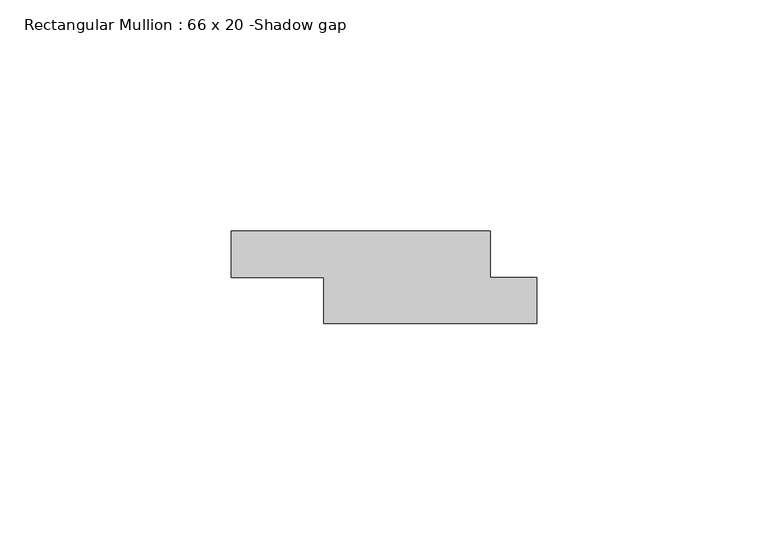
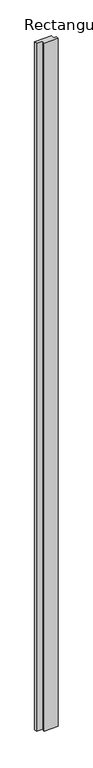
"""IFC4 building model written with IfcOpenShell, lengths in millimetres: member geometry, Rectangular Mullion : 66 x 20 -Shadow gap."""

from ifc_helpers import new_model, si_unit, frame, origin, place, context, project, spatial, polyline, outline, extrude, source, transform, mapped, element, save


def rectangular_mullion_66_x_20_shadow_gap_401a3bbc(model_context):
    return source(origin(), model_context, "Body", "SweptSolid", [
        extrude(outline(polyline([(-66.0, -10.0), (-66.0, 0.0), (-10.0, 0.0), (-10.0, -10.0), (0.0, -10.0), (0.0, -20.0), (-46.0, -20.0), (-46.0, -10.0), (-66.0, -10.0)])), frame((0.0, 0.0, -2400.0), z_axis=(0.0, 0.0, 1.0), x_axis=(1.0, 0.0, 0.0)), (0.0, 0.0, 1.0), 2400.0),
    ])


if __name__ == "__main__":
    model = new_model("IFC4")
    model_context = context("Model", 3, world=origin())
    ifc_project = project(units=[si_unit("LENGTHUNIT", "METRE", prefix="MILLI")], contexts=[model_context])
    site = spatial("IfcSite", under=ifc_project)
    building = spatial("IfcBuilding", under=site)
    placement = place(None, origin())
    rectangular_mullion_66_x_20_shadow_gap_shape = rectangular_mullion_66_x_20_shadow_gap_401a3bbc(model_context)
    element("IfcMember", 1, ObjectType="Rectangular Mullion : 66 x 20 -Shadow gap", at=placement, inside=building, context=model_context, shape_type="MappedRepresentation", body=[
        mapped(rectangular_mullion_66_x_20_shadow_gap_shape, transform((0.0, 0.0, 0.0), x_axis=(1.0, 0.0, 0.0), y_axis=(0.0, 1.0, 0.0), z_axis=(0.0, 0.0, 1.0))),
    ])
    save(model, "model.ifc")
